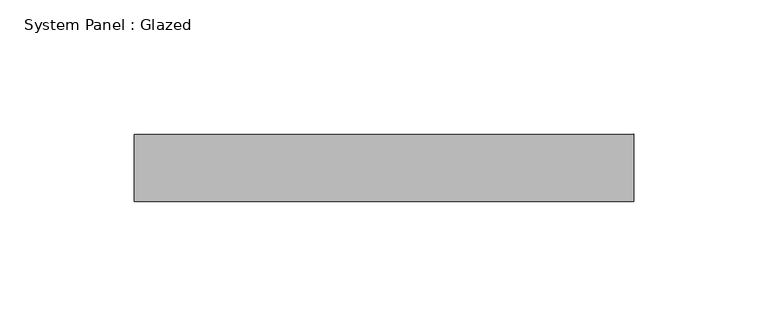
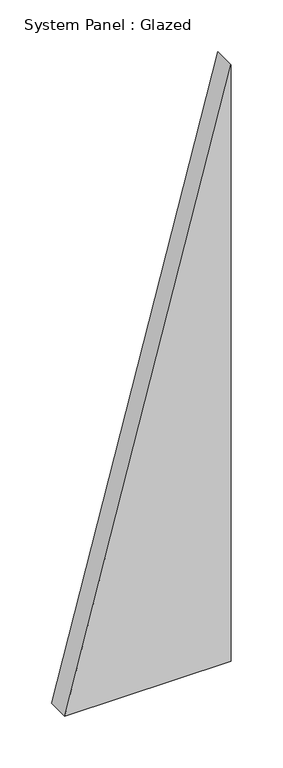
"""IFC4 building model written with IfcOpenShell, lengths in millimetres: plate geometry, System Panel : Glazed."""

from ifc_helpers import new_model, si_unit, frame, origin, place, context, project, spatial, polyline, outline, extrude, source, transform, mapped, element, save


def system_panel_glazed_467a8ecc(model_context):
    return source(origin(), model_context, "Body", "SweptSolid", [
        extrude(outline(polyline([(0.0, -92.857143), (0.0, 92.857143), (702.7027039, 92.857143), (0.0, -92.857143)])), frame((0.0, 24.5, 0.0), z_axis=(0.0, 1.0, 0.0), x_axis=(0.0, 0.0, 1.0)), (0.0, 0.0, 1.0), 25.0),
    ])


if __name__ == "__main__":
    model = new_model("IFC4")
    model_context = context("Model", 3, world=origin())
    ifc_project = project(units=[si_unit("LENGTHUNIT", "METRE", prefix="MILLI")], contexts=[model_context])
    site = spatial("IfcSite", under=ifc_project)
    building = spatial("IfcBuilding", under=site)
    placement = place(None, origin())
    system_panel_glazed_shape = system_panel_glazed_467a8ecc(model_context)
    element("IfcPlate", 1, ObjectType="System Panel : Glazed", at=placement, inside=building, context=model_context, shape_type="MappedRepresentation", body=[
        mapped(system_panel_glazed_shape, transform((0.0, 0.0, 0.0), x_axis=(1.0, 0.0, 0.0), y_axis=(0.0, 1.0, 0.0), z_axis=(0.0, 0.0, 1.0))),
    ])
    save(model, "model.ifc")
